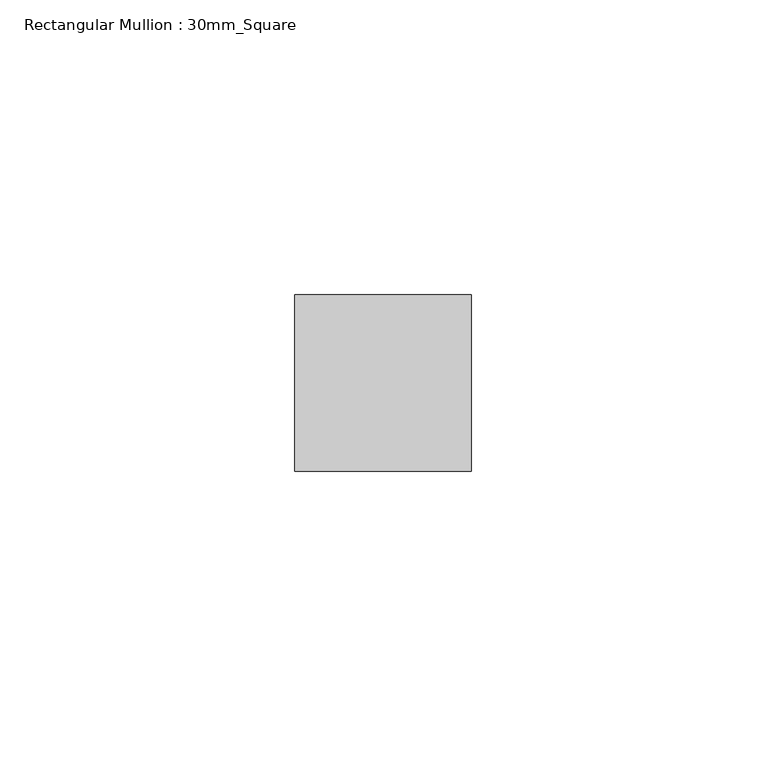
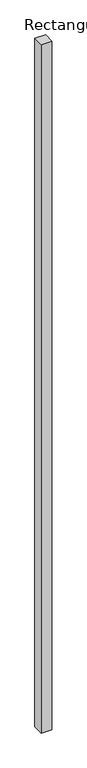
"""IFC4 building model written with IfcOpenShell, lengths in millimetres: member geometry, Rectangular Mullion : 30mm_Square."""

from ifc_helpers import new_model, si_unit, frame, origin, place, context, project, spatial, polyline, outline, extrude, source, transform, mapped, element, save


def rectangular_mullion_30mm_square_8a8b1aba(model_context):
    return source(origin(), model_context, "Body", "SweptSolid", [
        extrude(outline(polyline([(0.0, 15.0), (0.0, -15.0), (-30.0, -15.0), (-30.0, 15.0), (0.0, 15.0)])), frame((0.0, 0.0, -2040.0), z_axis=(0.0, 0.0, 1.0), x_axis=(1.0, 0.0, 0.0)), (0.0, 0.0, 1.0), 2040.0),
    ])


if __name__ == "__main__":
    model = new_model("IFC4")
    model_context = context("Model", 3, world=origin())
    ifc_project = project(units=[si_unit("LENGTHUNIT", "METRE", prefix="MILLI")], contexts=[model_context])
    site = spatial("IfcSite", under=ifc_project)
    building = spatial("IfcBuilding", under=site)
    placement = place(None, origin())
    rectangular_mullion_30mm_square_shape = rectangular_mullion_30mm_square_8a8b1aba(model_context)
    element("IfcMember", 1, ObjectType="Rectangular Mullion : 30mm_Square", at=placement, inside=building, context=model_context, shape_type="MappedRepresentation", body=[
        mapped(rectangular_mullion_30mm_square_shape, transform((0.0, 0.0, 0.0), x_axis=(1.0, 0.0, 0.0), y_axis=(0.0, 1.0, 0.0), z_axis=(0.0, 0.0, 1.0))),
    ])
    save(model, "model.ifc")
